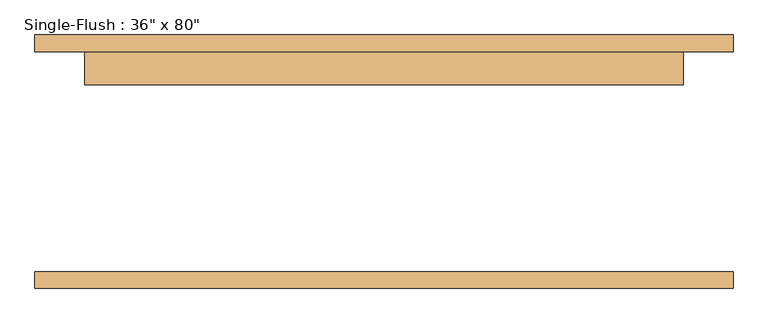
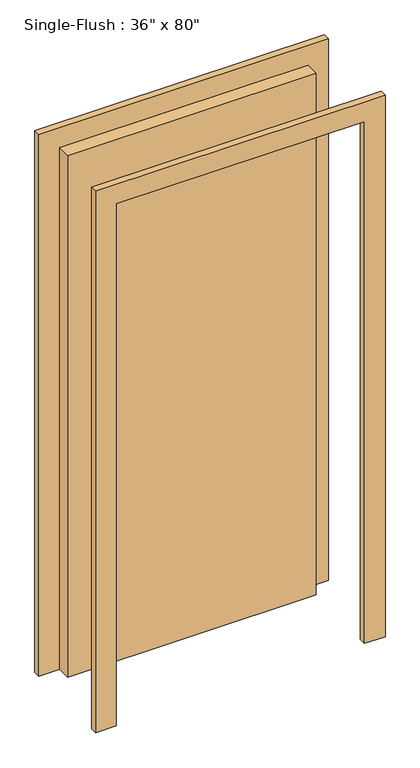
"""IFC4 building model written with IfcOpenShell, lengths in millimetres: door geometry."""

from ifc_helpers import new_model, si_unit, frame, origin, origin_with_axes, place, context, project, spatial, polyline, outline, extrude, source, transform, mapped, element, save


def door_d083b7bf(model_context):
    return source(origin(), model_context, "Body", "SweptSolid", [
        extrude(outline(polyline([(2108.2, -533.4), (0.0, -533.4), (0.0, -457.2), (2032.0, -457.2), (2032.0, 457.2), (0.0, 457.2), (0.0, 533.4), (2108.2, 533.4), (2108.2, -533.4)])), frame((0.0, 168.275, 0.0), z_axis=(0.0, 1.0, 0.0), x_axis=(0.0, 0.0, 1.0)), (0.0, 0.0, 1.0), 25.4),
        extrude(outline(polyline([(2108.2, 533.4), (2108.2, -533.4), (0.0, -533.4), (0.0, -457.2), (2032.0, -457.2), (2032.0, 457.2), (0.0, 457.2), (0.0, 533.4), (2108.2, 533.4)])), frame((0.0, -193.675, 0.0), z_axis=(0.0, 1.0, 0.0), x_axis=(0.0, 0.0, 1.0)), (0.0, 0.0, 1.0), 25.4),
        extrude(outline(polyline([(457.2, 117.475), (-457.2, 117.475), (-457.2, 168.275), (457.2, 168.275), (457.2, 117.475)])), origin_with_axes(), (0.0, 0.0, 1.0), 2032.0),
    ])


if __name__ == "__main__":
    model = new_model("IFC4")
    model_context = context("Model", 3, world=origin())
    ifc_project = project(units=[si_unit("LENGTHUNIT", "METRE", prefix="MILLI")], contexts=[model_context])
    site = spatial("IfcSite", under=ifc_project)
    building = spatial("IfcBuilding", under=site)
    placement = place(None, origin())
    door_shape = door_d083b7bf(model_context)
    element("IfcDoor", 1, ObjectType="Single-Flush : 36\" x 80\"", at=placement, inside=building, context=model_context, shape_type="MappedRepresentation", body=[
        mapped(door_shape, transform((0.0, 0.0, 0.0), x_axis=(1.0, 0.0, 0.0), y_axis=(0.0, 1.0, 0.0), z_axis=(0.0, 0.0, 1.0))),
    ])
    save(model, "model.ifc")
